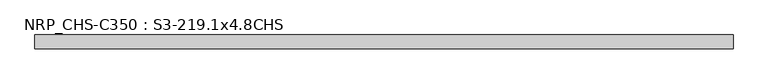
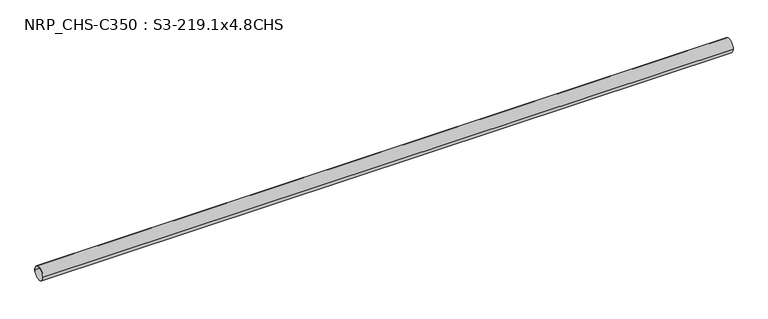
"""IFC4 building model written with IfcOpenShell, lengths in millimetres: beam geometry, NRP_CHS-C350 : S3-219.1x4.8CHS."""

import ifcopenshell
import ifcopenshell.guid

model = None  # the IFC model being written
_history = None  # IfcOwnerHistory: only IFC2X3 demands one
_inside = {}  # id of a spatial element -> (the spatial element, [elements in it])
_under = {}  # id of a project, library or spatial element -> (it, [spatial elements below it])
_declared = {}  # id of a project -> (the project, [libraries it declares])
_typed = {}  # id of a type object -> (the type object, [elements of that type])
_made_of = {}  # id of a material, layer set ... -> (it, [elements and type objects made of it])


def new_model(schema):
    """Start an empty IFC model of exactly this schema.

    Asked for "IFC4X3", IfcOpenShell would pick the latest addendum, in which some entities
    have other attributes; the version numbers below select the first issue.
    IFC2X3 requires an IfcOwnerHistory on every rooted entity: one is made here for all.
    """
    global model, _history
    if schema == "IFC4X3":
        model = ifcopenshell.file(schema_version=(4, 3, 0, 0))
    else:
        model = ifcopenshell.file(schema=schema)
    _inside.clear()
    _under.clear()
    _declared.clear()
    _typed.clear()
    _made_of.clear()
    _history = None
    if model.schema == "IFC2X3":
        org = make("IfcOrganization", Name="unknown")
        user = make(
            "IfcPersonAndOrganization",
            ThePerson=make("IfcPerson", FamilyName="unknown"),
            TheOrganization=org,
        )
        app = make(
            "IfcApplication",
            ApplicationDeveloper=org,
            Version="unknown",
            ApplicationFullName="unknown",
            ApplicationIdentifier="unknown",
        )
        _history = make(
            "IfcOwnerHistory",
            OwningUser=user,
            OwningApplication=app,
            ChangeAction="ADDED",
            CreationDate=0,
        )
    return model


def make(cls, **values):
    """One entity of the class cls with the attributes given. An attribute that is None is left unset."""
    return model.create_entity(
        cls, **{name: value for name, value in values.items() if value is not None}
    )


def rooted(cls, **values):
    """An entity with a GlobalId (a new one), such as an element, a storey or a relation."""
    return make(cls, GlobalId=ifcopenshell.guid.new(), OwnerHistory=_history, **values)


def si_unit(unit_type, name, prefix=None):
    """IfcSIUnit, for example si_unit("LENGTHUNIT", "METRE", prefix="MILLI")."""
    return make("IfcSIUnit", UnitType=unit_type, Prefix=prefix, Name=name)


def assignment(units):
    """IfcUnitAssignment: the units of a project."""
    return None if units is None else make("IfcUnitAssignment", Units=units)


def point(xyz):
    """IfcCartesianPoint."""
    return None if xyz is None else make("IfcCartesianPoint", Coordinates=xyz)


def direction(xyz):
    """IfcDirection."""
    return None if xyz is None else make("IfcDirection", DirectionRatios=xyz)


def frame(location, z_axis=None, x_axis=None):
    """IfcAxis2Placement3D, a coordinate frame: its origin and axes. An axis left out is left unset."""
    return make(
        "IfcAxis2Placement3D",
        Location=point(location),
        Axis=direction(z_axis),
        RefDirection=direction(x_axis),
    )


def frame_2d(location, x_axis=None):
    """IfcAxis2Placement2D, a coordinate frame in the plane: its origin and x axis."""
    return make(
        "IfcAxis2Placement2D", Location=point(location), RefDirection=direction(x_axis)
    )


def origin():
    """The frame at (0, 0, 0) with its axes left unset."""
    return frame((0.0, 0.0, 0.0))


def origin_2d():
    """The frame at (0, 0) in the plane with its x axis left unset."""
    return frame_2d((0.0, 0.0))


def place(relative_to, where):
    """IfcLocalPlacement: puts the frame where relative to a parent placement (None: the world)."""
    return make(
        "IfcLocalPlacement", PlacementRelTo=relative_to, RelativePlacement=where
    )


def context(
    kind, dimensions, precision=None, world=None, true_north=None, identifier=None
):
    """IfcGeometricRepresentationContext, for example the 3D "Model" context."""
    return make(
        "IfcGeometricRepresentationContext",
        ContextIdentifier=identifier,
        ContextType=kind,
        CoordinateSpaceDimension=dimensions,
        Precision=precision,
        WorldCoordinateSystem=world,
        TrueNorth=true_north,
    )


def project(units=None, contexts=None):
    """IfcProject with its units and contexts."""
    return rooted(
        "IfcProject",
        Name="project",
        RepresentationContexts=contexts,
        UnitsInContext=assignment(units),
    )


def spatial(cls, under=None, at=None, **own):
    """A site, building, storey or space (cls), placed at a placement, below another one or the project."""
    s = rooted(cls, ObjectPlacement=at, **own)
    if under is not None:
        _under.setdefault(under.id(), (under, []))[1].append(s)
    return s


def circle_curve(where, radius):
    """IfcCircle in the frame where."""
    return make("IfcCircle", Position=where, Radius=radius)


def trimmed(basis, trim1, trim2, sense, master):
    """IfcTrimmedCurve: the piece of a basis curve between two trims."""
    return make(
        "IfcTrimmedCurve",
        BasisCurve=basis,
        Trim1=trim1,
        Trim2=trim2,
        SenseAgreement=sense,
        MasterRepresentation=master,
    )


def segment(curve, same_sense, transition):
    """IfcCompositeCurveSegment."""
    return make(
        "IfcCompositeCurveSegment",
        Transition=transition,
        SameSense=same_sense,
        ParentCurve=curve,
    )


def composite_curve(segments, self_intersect=None):
    """IfcCompositeCurve: segments joined end to end."""
    return make("IfcCompositeCurve", Segments=segments, SelfIntersect=self_intersect)


def outline(outer, holes=None, kind="AREA"):
    """IfcArbitraryClosedProfileDef: a profile drawn as a closed curve; with holes, ...WithVoids."""
    if holes is None:
        return make("IfcArbitraryClosedProfileDef", ProfileType=kind, OuterCurve=outer)
    return make(
        "IfcArbitraryProfileDefWithVoids",
        ProfileType=kind,
        OuterCurve=outer,
        InnerCurves=holes,
    )


def extrude(swept, where, along, depth):
    """IfcExtrudedAreaSolid: the profile swept, set in the frame where, extruded along a direction by depth."""
    return make(
        "IfcExtrudedAreaSolid",
        SweptArea=swept,
        Position=where,
        ExtrudedDirection=direction(along),
        Depth=depth,
    )


def shape(context_of_items, identifier, shape_type, items):
    """IfcShapeRepresentation: the items that make up one representation, for example the "Body"."""
    return make(
        "IfcShapeRepresentation",
        ContextOfItems=context_of_items,
        RepresentationIdentifier=identifier,
        RepresentationType=shape_type,
        Items=items,
    )


def source(mapping_origin, context_of_items, identifier, shape_type, items):
    """IfcRepresentationMap: a shape defined once, which mapped items show again and again."""
    return make(
        "IfcRepresentationMap",
        MappingOrigin=mapping_origin,
        MappedRepresentation=shape(context_of_items, identifier, shape_type, items),
    )


def transform(
    local_origin,
    x_axis=None,
    y_axis=None,
    z_axis=None,
    scale=None,
    scale2=None,
    scale3=None,
    uniform=True,
):
    """IfcCartesianTransformationOperator3D, or its non-uniform kind. x_axis, y_axis, z_axis: its Axis1, 2, 3."""
    if uniform:
        return make(
            "IfcCartesianTransformationOperator3D",
            Axis1=direction(x_axis),
            Axis2=direction(y_axis),
            LocalOrigin=point(local_origin),
            Scale=scale,
            Axis3=direction(z_axis),
        )
    return make(
        "IfcCartesianTransformationOperator3DnonUniform",
        Axis1=direction(x_axis),
        Axis2=direction(y_axis),
        LocalOrigin=point(local_origin),
        Scale=scale,
        Axis3=direction(z_axis),
        Scale2=scale2,
        Scale3=scale3,
    )


def mapped(mapping_source, mapping_target):
    """IfcMappedItem: shows the shape of a source again, moved by a transform."""
    return make(
        "IfcMappedItem", MappingSource=mapping_source, MappingTarget=mapping_target
    )


def made_of(thing, what):
    """Note that an element or type object is made of a material, layer set ...; save() writes the relation."""
    if what is not None:
        _made_of.setdefault(what.id(), (what, []))[1].append(thing)
    return thing


def element(
    cls,
    number,
    at=None,
    inside=None,
    cuts=None,
    type_object=None,
    material=None,
    context=None,
    identifier="Body",
    shape_type=None,
    held_by="IfcProductDefinitionShape",
    body=None,
    shapes=None,
    **own,
):
    """One element of the class cls, such as IfcWall. Its Tag is "e" and its number.

    at: its placement. inside: the storey or other place that contains it. cuts: it is an
    opening in that element (IfcRelVoidsElement). A single representation is given by context,
    identifier, shape_type and body (its items); several are given by shapes. held_by: the class
    of the entity that holds the representations. save() writes the other relations.
    """
    e = rooted(cls, Tag="e%d" % number, ObjectPlacement=at, **own)
    if body is not None:
        shapes = [shape(context, identifier, shape_type, body)]
    if shapes is not None:
        e.Representation = make(held_by, Representations=shapes)
    if inside is not None:
        _inside.setdefault(inside.id(), (inside, []))[1].append(e)
    if cuts is not None:
        rooted(
            "IfcRelVoidsElement", RelatingBuildingElement=cuts, RelatedOpeningElement=e
        )
    if type_object is not None:
        _typed.setdefault(type_object.id(), (type_object, []))[1].append(e)
    return made_of(e, material)


def aggregate(whole, parts):
    """IfcRelAggregates: a whole, such as a stair, and the parts it consists of."""
    return rooted("IfcRelAggregates", RelatingObject=whole, RelatedObjects=parts)


def save(model, path):
    """Write the relations noted so far, then the file.

    IfcRelAggregates (storeys below a building ...), IfcRelContainedInSpatialStructure (elements
    in a storey), IfcRelDefinesByType, IfcRelAssociatesMaterial and IfcRelDeclares: one each for
    every whole, place, type object, material and project.
    """
    for whole, parts in _under.values():
        aggregate(whole, parts)
    for where, things in _inside.values():
        rooted(
            "IfcRelContainedInSpatialStructure",
            RelatedElements=things,
            RelatingStructure=where,
        )
    for kind, things in _typed.values():
        rooted("IfcRelDefinesByType", RelatedObjects=things, RelatingType=kind)
    for what, things in _made_of.values():
        rooted("IfcRelAssociatesMaterial", RelatedObjects=things, RelatingMaterial=what)
    for by, libraries in _declared.values():
        rooted("IfcRelDeclares", RelatingContext=by, RelatedDefinitions=libraries)
    model.write(path)


def nrp_chs_c350_s3_219_1x4_8chs_6e637774(model_context):
    return source(origin(), model_context, "Body", "SweptSolid", [
        extrude(outline(composite_curve([segment(trimmed(circle_curve(origin_2d(), 109.55), [point((-109.55, 0.0))], [point((109.55, 0.0))], False, "CARTESIAN"), True, "CONTINUOUS"), segment(trimmed(circle_curve(origin_2d(), 109.55), [point((109.55, 0.0))], [point((-109.55, 0.0))], False, "CARTESIAN"), True, "CONTINUOUS")], self_intersect=False), holes=[composite_curve([segment(trimmed(circle_curve(origin_2d(), 104.75), [point((104.75, 0.0))], [point((-104.75, 0.0))], True, "CARTESIAN"), True, "CONTINUOUS"), segment(trimmed(circle_curve(origin_2d(), 104.75), [point((-104.75, 0.0))], [point((104.75, 0.0))], True, "CARTESIAN"), True, "CONTINUOUS")], self_intersect=False)]), frame((-5532.8, 0.0, 0.0), z_axis=(1.0, 0.0, 0.0), x_axis=(0.0, 1.0, 0.0)), (0.0, 0.0, 1.0), 11055.6),
    ])


if __name__ == "__main__":
    model = new_model("IFC4")
    model_context = context("Model", 3, world=origin())
    ifc_project = project(units=[si_unit("LENGTHUNIT", "METRE", prefix="MILLI")], contexts=[model_context])
    site = spatial("IfcSite", under=ifc_project)
    building = spatial("IfcBuilding", under=site)
    placement = place(None, origin())
    nrp_chs_c350_s3_219_1x4_8chs_shape = nrp_chs_c350_s3_219_1x4_8chs_6e637774(model_context)
    element("IfcBeam", 1, ObjectType="NRP_CHS-C350 : S3-219.1x4.8CHS", at=placement, inside=building, context=model_context, shape_type="MappedRepresentation", body=[
        mapped(nrp_chs_c350_s3_219_1x4_8chs_shape, transform((0.0, 0.0, 0.0), x_axis=(1.0, 0.0, 0.0), y_axis=(0.0, 1.0, 0.0), z_axis=(0.0, 0.0, 1.0))),
    ])
    save(model, "model.ifc")
